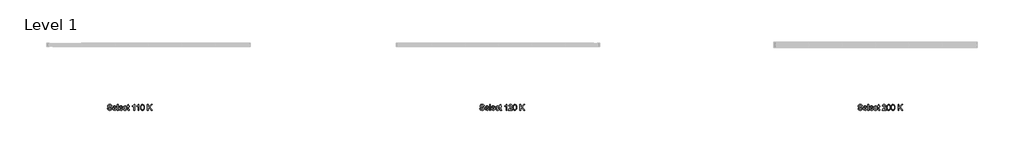
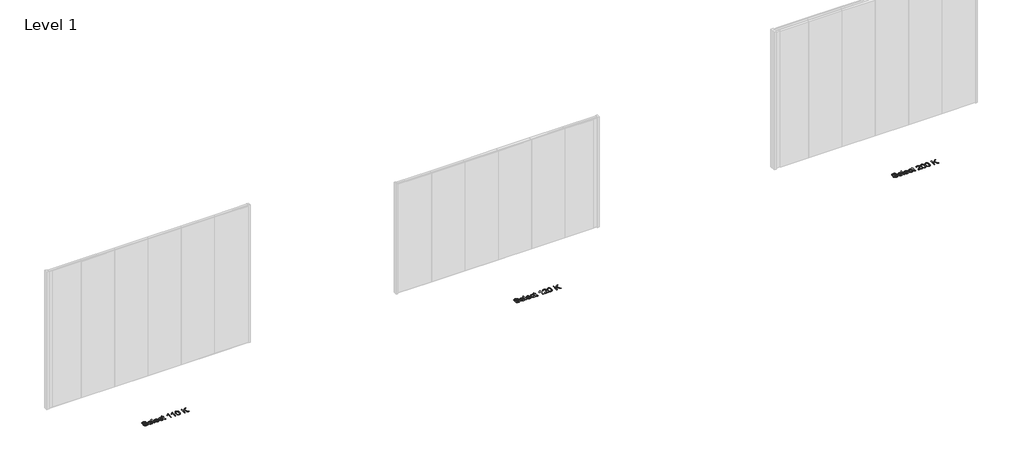
# One storey, part 4 of 4: 3 proxies.
"""IFC4 building model written with IfcOpenShell, lengths in millimetres."""

from ifc_helpers import new_model, si_unit, origin, origin_with_axes, place, context, project, spatial, polyline, outline, extrude, element, save

model = new_model("IFC4")

# Units and contexts
model_context = context("Model", 3, world=origin())
ifc_project = project(units=[si_unit("LENGTHUNIT", "METRE", prefix="MILLI")], contexts=[model_context])

# Site, building, storey
site = spatial("IfcSite", under=ifc_project)
building = spatial("IfcBuilding", under=site)
storey = spatial("IfcBuildingStorey", under=building, Name="Level 1", Elevation=0.0)

# Proxies
placement = place(None, origin())
element("IfcBuildingElementProxy", 1, Name="200mm", ObjectType="200mm", at=placement, inside=storey, context=model_context, shape_type="SweptSolid", body=[
    extrude(outline(polyline([(42637.125825, -17018.758288), (42661.7412096, -17018.758288), (42669.6739019, -17043.3977111), (42677.6426519, -17052.1116534), (42689.0489019, -17058.9746342), (42702.9912096, -17063.4277592), (42718.5681327, -17064.9121342), (42744.2892865, -17060.4169419), (42760.8998634, -17048.0611726), (42766.3565942, -17031.5467495), (42762.2700557, -17016.1861726), (42756.0440942, -17010.1104515), (42745.5392865, -17005.008288), (42709.6979404, -16995.6092495), (42671.1162096, -16983.4698265), (42658.8626038, -16975.1885765), (42650.1787096, -16965.1525188), (42645.0044307, -16953.5779995), (42643.2796711, -16940.6813649), (42645.4130846, -16926.2642976), (42651.813325, -16912.820788), (42662.312123, -16901.4265572), (42676.7412096, -16893.1573265), (42694.0609211, -16888.1272784), (42713.2315942, -16886.4505957), (42734.000825, -16888.2054034), (42752.1739019, -16893.4698265), (42767.1017865, -16902.1356919), (42778.1354404, -16914.0948265), (42785.1186134, -16928.602038), (42787.8950557, -16944.9121342), (42763.2796711, -16944.9121342), (42758.7604404, -16930.2246342), (42749.3373634, -16919.6236726), (42734.6138057, -16913.2054034), (42714.1931327, -16911.0659803), (42693.2916904, -16913.1813649), (42678.952748, -16919.5275188), (42670.6594788, -16928.8664611), (42667.8950557, -16939.9602111), (42669.8541904, -16949.4193457), (42675.7315942, -16957.0275188), (42689.625825, -16963.8304034), (42715.9239019, -16970.7775188), (42759.4815942, -16983.133288), (42773.5140461, -16992.0635765), (42783.3037096, -17003.0852111), (42789.0549115, -17016.0779995), (42790.9719788, -17030.9217495), (42788.76645, -17046.0960284), (42782.1498634, -17060.3688649), (42771.3926519, -17072.6525188), (42756.765248, -17081.8592495), (42739.1751038, -17087.6104515), (42719.5296711, -17089.5275188), (42695.4130846, -17087.4602111), (42675.563325, -17081.258288), (42659.7520269, -17070.8977111), (42647.750825, -17056.3544419), (42640.046498, -17038.6380957), (42637.125825, -17018.758288)])), origin_with_axes(), (0.0, 0.0, 1.0), 5.0),
    extrude(outline(polyline([(42926.0681327, -17043.3736726), (42950.202748, -17046.4505957), (42941.5068346, -17064.6356919), (42927.6306327, -17078.2294419), (42908.8866423, -17086.7029995), (42885.5873634, -17089.5275188), (42856.7051519, -17084.6537207), (42834.4815942, -17070.0323265), (42820.3109211, -17046.6128553), (42815.5873634, -17015.3448265), (42820.358998, -16983.0251149), (42834.6739019, -16958.8544419), (42856.5969788, -16943.7823265), (42884.1931327, -16938.758288), (42910.9299115, -16943.7703072), (42932.2940942, -16958.8063649), (42946.3025077, -16982.9289611), (42950.9719788, -17015.2005957), (42950.827748, -17021.8352111), (42840.202748, -17021.8352111), (42844.4635654, -17040.2606919), (42854.3614019, -17053.8063649), (42868.6462577, -17062.1356919), (42886.0681327, -17064.9121342), (42910.202748, -17059.7679034), (42919.1690942, -17053.0972303), (42926.0681327, -17043.3736726)]), holes=[polyline([(42840.202748, -16997.2198265), (42926.3565942, -16997.2198265), (42923.0272673, -16984.2150188), (42916.500825, -16974.9121342), (42902.1498634, -16966.258288), (42884.0969788, -16963.3736726), (42867.5044307, -16965.6753553), (42853.7844788, -16972.5804034), (42844.2472192, -16983.3436245), (42840.202748, -16997.2198265)])]), origin_with_axes(), (0.0, 0.0, 1.0), 5.0),
    extrude(outline(polyline([(42975.5873634, -17086.4505957), (42975.5873634, -16889.5275188), (43000.202748, -16889.5275188), (43000.202748, -17086.4505957), (42975.5873634, -17086.4505957)])), origin_with_axes(), (0.0, 0.0, 1.0), 5.0),
    extrude(outline(polyline([(43138.375825, -17043.3736726), (43162.5104404, -17046.4505957), (43153.8145269, -17064.6356919), (43139.938325, -17078.2294419), (43121.1943346, -17086.7029995), (43097.8950557, -17089.5275188), (43069.0128442, -17084.6537207), (43046.7892865, -17070.0323265), (43032.6186134, -17046.6128553), (43027.8950557, -17015.3448265), (43032.6666904, -16983.0251149), (43046.9815942, -16958.8544419), (43068.9046711, -16943.7823265), (43096.500825, -16938.758288), (43123.2376038, -16943.7703072), (43144.6017865, -16958.8063649), (43158.6102, -16982.9289611), (43163.2796711, -17015.2005957), (43163.1354404, -17021.8352111), (43052.5104404, -17021.8352111), (43056.7712577, -17040.2606919), (43066.6690942, -17053.8063649), (43080.95395, -17062.1356919), (43098.375825, -17064.9121342), (43122.5104404, -17059.7679034), (43131.4767865, -17053.0972303), (43138.375825, -17043.3736726)]), holes=[polyline([(43052.5104404, -16997.2198265), (43138.6642865, -16997.2198265), (43135.3349596, -16984.2150188), (43128.8085173, -16974.9121342), (43114.4575557, -16966.258288), (43096.4046711, -16963.3736726), (43079.812123, -16965.6753553), (43066.0921711, -16972.5804034), (43056.5549115, -16983.3436245), (43052.5104404, -16997.2198265)])]), origin_with_axes(), (0.0, 0.0, 1.0), 5.0),
    extrude(outline(polyline([(43280.202748, -17034.1429034), (43304.8181327, -17037.2198265), (43297.9551519, -17059.1128553), (43285.0585173, -17075.6573265), (43267.3421711, -17086.0599707), (43246.0200557, -17089.5275188), (43219.8361615, -17084.6897784), (43199.3614019, -17070.1765572), (43186.1462577, -17046.6248745), (43181.7412096, -17014.6717495), (43183.6222192, -16992.7667015), (43189.265248, -16973.7823265), (43198.7604404, -16958.4517976), (43212.1979404, -16947.508288), (43228.2736615, -16940.945788), (43245.6835173, -16938.758288), (43266.4827961, -16941.7630957), (43283.1114019, -16950.7775188), (43295.0404884, -16965.320788), (43301.7412096, -16984.9121342), (43277.125825, -16987.9890572), (43272.6606807, -16977.2498745), (43265.7075557, -16969.5515572), (43256.6510654, -16964.9181438), (43245.875825, -16963.3736726), (43229.968373, -16966.414538), (43217.3421711, -16975.5371342), (43209.1029884, -16991.2342495), (43206.3565942, -17013.9986726), (43209.0428923, -17037.0695861), (43217.1017865, -17052.820788), (43229.499623, -17061.8892976), (43245.202748, -17064.9121342), (43257.9491423, -17063.0251149), (43268.3998634, -17057.3640572), (43276.0020269, -17047.7847303), (43280.202748, -17034.1429034)])), origin_with_axes(), (0.0, 0.0, 1.0), 5.0),
    extrude(outline(polyline([(43378.6642865, -17065.9217495), (43381.7412096, -17087.1717495), (43363.327748, -17089.5275188), (43342.702748, -17085.4409803), (43332.4142865, -17074.7198265), (43329.4335173, -17046.7871342), (43329.4335173, -16966.4505957), (43310.9719788, -16966.4505957), (43310.9719788, -16941.8352111), (43329.4335173, -16941.8352111), (43329.4335173, -16906.6909803), (43354.0489019, -16892.2198265), (43354.0489019, -16941.8352111), (43378.6642865, -16941.8352111), (43378.6642865, -16966.4505957), (43354.0489019, -16966.4505957), (43354.0489019, -17046.0659803), (43355.3469788, -17058.758288), (43359.5537096, -17063.2534803), (43367.9431327, -17064.9121342), (43378.6642865, -17065.9217495)])), origin_with_axes(), (0.0, 0.0, 1.0), 5.0),
    extrude(outline(polyline([(43566.3565942, -17086.4505957), (43541.7412096, -17086.4505957), (43541.7412096, -16932.9890572), (43518.4239019, -16949.5996342), (43492.5104404, -16962.0275188), (43492.5104404, -16938.758288), (43528.5921711, -16915.7294419), (43541.7952961, -16902.4241534), (43550.4912096, -16889.5275188), (43566.3565942, -16889.5275188), (43566.3565942, -17086.4505957)])), origin_with_axes(), (0.0, 0.0, 1.0), 5.0),
    extrude(outline(polyline([(43717.125825, -17086.4505957), (43692.5104404, -17086.4505957), (43692.5104404, -16932.9890572), (43669.1931327, -16949.5996342), (43643.2796711, -16962.0275188), (43643.2796711, -16938.758288), (43679.3614019, -16915.7294419), (43692.5645269, -16902.4241534), (43701.2604404, -16889.5275188), (43717.125825, -16889.5275188), (43717.125825, -17086.4505957)])), origin_with_axes(), (0.0, 0.0, 1.0), 5.0),
    extrude(outline(polyline([(43775.5873634, -16989.5755957), (43777.3962577, -16958.055163), (43782.8229404, -16932.9169419), (43791.813325, -16913.7763169), (43804.313325, -16900.2486726), (43820.4130846, -16892.2078072), (43840.202748, -16889.5275188), (43855.3710173, -16891.1140572), (43868.952748, -16895.8736726), (43880.3109211, -16903.6200669), (43888.8085173, -16914.1669419), (43900.3469788, -16943.3015572), (43904.8181327, -16989.5755957), (43903.0272673, -17020.9157399), (43897.6546711, -17045.9938649), (43888.718373, -17065.1525188), (43876.2364019, -17078.7342495), (43860.1005846, -17086.8292015), (43840.202748, -17089.5275188), (43814.625825, -17084.8400188), (43795.202748, -17070.7775188), (43786.6210173, -17055.9487928), (43780.4912096, -17037.4722303), (43775.5873634, -16989.5755957)]), holes=[polyline([(43800.202748, -16989.5275188), (43803.0873634, -17028.2474707), (43811.7412096, -17050.6573265), (43824.625825, -17061.3484322), (43840.202748, -17064.9121342), (43855.7796711, -17061.336413), (43868.6642865, -17050.6092495), (43877.3181327, -17028.1873745), (43880.202748, -16989.5275188), (43877.4142865, -16951.6789611), (43869.0489019, -16929.0948265), (43856.188325, -16917.8808842), (43839.9142865, -16914.1429034), (43824.5056327, -16917.4361726), (43812.125825, -16927.3159803), (43803.1835173, -16951.3063649), (43800.202748, -16989.5275188)])]), origin_with_axes(), (0.0, 0.0, 1.0), 5.0),
    extrude(outline(polyline([(44012.5104404, -17086.4505957), (44012.5104404, -16889.5275188), (44037.125825, -16889.5275188), (44037.125825, -16985.9217495), (44138.0873634, -16889.5275188), (44172.5104404, -16889.5275188), (44087.750825, -16970.4890572), (44175.5873634, -17086.4505957), (44145.4912096, -17086.4505957), (44070.2989019, -16987.1236726), (44037.125825, -17018.758288), (44037.125825, -17086.4505957), (44012.5104404, -17086.4505957)])), origin_with_axes(), (0.0, 0.0, 1.0), 5.0),
])
element("IfcBuildingElementProxy", 2, Name="200mm", ObjectType="200mm", at=placement, inside=storey, context=model_context, shape_type="SweptSolid", body=[
    extrude(outline(polyline([(55437.125825, -17018.758288), (55461.7412096, -17018.758288), (55469.6739019, -17043.3977111), (55477.6426519, -17052.1116534), (55489.0489019, -17058.9746342), (55502.9912096, -17063.4277592), (55518.5681327, -17064.9121342), (55544.2892865, -17060.4169419), (55560.8998634, -17048.0611726), (55566.3565942, -17031.5467495), (55562.2700557, -17016.1861726), (55556.0440942, -17010.1104515), (55545.5392865, -17005.008288), (55509.6979404, -16995.6092495), (55471.1162096, -16983.4698265), (55458.8626038, -16975.1885765), (55450.1787096, -16965.1525188), (55445.0044307, -16953.5779995), (55443.2796711, -16940.6813649), (55445.4130846, -16926.2642976), (55451.813325, -16912.820788), (55462.312123, -16901.4265572), (55476.7412096, -16893.1573265), (55494.0609211, -16888.1272784), (55513.2315942, -16886.4505957), (55534.000825, -16888.2054034), (55552.1739019, -16893.4698265), (55567.1017865, -16902.1356919), (55578.1354404, -16914.0948265), (55585.1186134, -16928.602038), (55587.8950557, -16944.9121342), (55563.2796711, -16944.9121342), (55558.7604404, -16930.2246342), (55549.3373634, -16919.6236726), (55534.6138057, -16913.2054034), (55514.1931327, -16911.0659803), (55493.2916904, -16913.1813649), (55478.952748, -16919.5275188), (55470.6594788, -16928.8664611), (55467.8950557, -16939.9602111), (55469.8541904, -16949.4193457), (55475.7315942, -16957.0275188), (55489.625825, -16963.8304034), (55515.9239019, -16970.7775188), (55559.4815942, -16983.133288), (55573.5140461, -16992.0635765), (55583.3037096, -17003.0852111), (55589.0549115, -17016.0779995), (55590.9719788, -17030.9217495), (55588.76645, -17046.0960284), (55582.1498634, -17060.3688649), (55571.3926519, -17072.6525188), (55556.765248, -17081.8592495), (55539.1751038, -17087.6104515), (55519.5296711, -17089.5275188), (55495.4130846, -17087.4602111), (55475.563325, -17081.258288), (55459.7520269, -17070.8977111), (55447.750825, -17056.3544419), (55440.046498, -17038.6380957), (55437.125825, -17018.758288)])), origin_with_axes(), (0.0, 0.0, 1.0), 5.0),
    extrude(outline(polyline([(55726.0681327, -17043.3736726), (55750.202748, -17046.4505957), (55741.5068346, -17064.6356919), (55727.6306327, -17078.2294419), (55708.8866423, -17086.7029995), (55685.5873634, -17089.5275188), (55656.7051519, -17084.6537207), (55634.4815942, -17070.0323265), (55620.3109211, -17046.6128553), (55615.5873634, -17015.3448265), (55620.358998, -16983.0251149), (55634.6739019, -16958.8544419), (55656.5969788, -16943.7823265), (55684.1931327, -16938.758288), (55710.9299115, -16943.7703072), (55732.2940942, -16958.8063649), (55746.3025077, -16982.9289611), (55750.9719788, -17015.2005957), (55750.827748, -17021.8352111), (55640.202748, -17021.8352111), (55644.4635654, -17040.2606919), (55654.3614019, -17053.8063649), (55668.6462577, -17062.1356919), (55686.0681327, -17064.9121342), (55710.202748, -17059.7679034), (55719.1690942, -17053.0972303), (55726.0681327, -17043.3736726)]), holes=[polyline([(55640.202748, -16997.2198265), (55726.3565942, -16997.2198265), (55723.0272673, -16984.2150188), (55716.500825, -16974.9121342), (55702.1498634, -16966.258288), (55684.0969788, -16963.3736726), (55667.5044307, -16965.6753553), (55653.7844788, -16972.5804034), (55644.2472192, -16983.3436245), (55640.202748, -16997.2198265)])]), origin_with_axes(), (0.0, 0.0, 1.0), 5.0),
    extrude(outline(polyline([(55775.5873634, -17086.4505957), (55775.5873634, -16889.5275188), (55800.202748, -16889.5275188), (55800.202748, -17086.4505957), (55775.5873634, -17086.4505957)])), origin_with_axes(), (0.0, 0.0, 1.0), 5.0),
    extrude(outline(polyline([(55938.375825, -17043.3736726), (55962.5104404, -17046.4505957), (55953.8145269, -17064.6356919), (55939.938325, -17078.2294419), (55921.1943346, -17086.7029995), (55897.8950557, -17089.5275188), (55869.0128442, -17084.6537207), (55846.7892865, -17070.0323265), (55832.6186134, -17046.6128553), (55827.8950557, -17015.3448265), (55832.6666904, -16983.0251149), (55846.9815942, -16958.8544419), (55868.9046711, -16943.7823265), (55896.500825, -16938.758288), (55923.2376038, -16943.7703072), (55944.6017865, -16958.8063649), (55958.6102, -16982.9289611), (55963.2796711, -17015.2005957), (55963.1354404, -17021.8352111), (55852.5104404, -17021.8352111), (55856.7712577, -17040.2606919), (55866.6690942, -17053.8063649), (55880.95395, -17062.1356919), (55898.375825, -17064.9121342), (55922.5104404, -17059.7679034), (55931.4767865, -17053.0972303), (55938.375825, -17043.3736726)]), holes=[polyline([(55852.5104404, -16997.2198265), (55938.6642865, -16997.2198265), (55935.3349596, -16984.2150188), (55928.8085173, -16974.9121342), (55914.4575557, -16966.258288), (55896.4046711, -16963.3736726), (55879.812123, -16965.6753553), (55866.0921711, -16972.5804034), (55856.5549115, -16983.3436245), (55852.5104404, -16997.2198265)])]), origin_with_axes(), (0.0, 0.0, 1.0), 5.0),
    extrude(outline(polyline([(56080.202748, -17034.1429034), (56104.8181327, -17037.2198265), (56097.9551519, -17059.1128553), (56085.0585173, -17075.6573265), (56067.3421711, -17086.0599707), (56046.0200557, -17089.5275188), (56019.8361615, -17084.6897784), (55999.3614019, -17070.1765572), (55986.1462577, -17046.6248745), (55981.7412096, -17014.6717495), (55983.6222192, -16992.7667015), (55989.265248, -16973.7823265), (55998.7604404, -16958.4517976), (56012.1979404, -16947.508288), (56028.2736615, -16940.945788), (56045.6835173, -16938.758288), (56066.4827961, -16941.7630957), (56083.1114019, -16950.7775188), (56095.0404884, -16965.320788), (56101.7412096, -16984.9121342), (56077.125825, -16987.9890572), (56072.6606807, -16977.2498745), (56065.7075557, -16969.5515572), (56056.6510654, -16964.9181438), (56045.875825, -16963.3736726), (56029.968373, -16966.414538), (56017.3421711, -16975.5371342), (56009.1029884, -16991.2342495), (56006.3565942, -17013.9986726), (56009.0428923, -17037.0695861), (56017.1017865, -17052.820788), (56029.499623, -17061.8892976), (56045.202748, -17064.9121342), (56057.9491423, -17063.0251149), (56068.3998634, -17057.3640572), (56076.0020269, -17047.7847303), (56080.202748, -17034.1429034)])), origin_with_axes(), (0.0, 0.0, 1.0), 5.0),
    extrude(outline(polyline([(56178.6642865, -17065.9217495), (56181.7412096, -17087.1717495), (56163.327748, -17089.5275188), (56142.702748, -17085.4409803), (56132.4142865, -17074.7198265), (56129.4335173, -17046.7871342), (56129.4335173, -16966.4505957), (56110.9719788, -16966.4505957), (56110.9719788, -16941.8352111), (56129.4335173, -16941.8352111), (56129.4335173, -16906.6909803), (56154.0489019, -16892.2198265), (56154.0489019, -16941.8352111), (56178.6642865, -16941.8352111), (56178.6642865, -16966.4505957), (56154.0489019, -16966.4505957), (56154.0489019, -17046.0659803), (56155.3469788, -17058.758288), (56159.5537096, -17063.2534803), (56167.9431327, -17064.9121342), (56178.6642865, -17065.9217495)])), origin_with_axes(), (0.0, 0.0, 1.0), 5.0),
    extrude(outline(polyline([(56366.3565942, -17086.4505957), (56341.7412096, -17086.4505957), (56341.7412096, -16932.9890572), (56318.4239019, -16949.5996342), (56292.5104404, -16962.0275188), (56292.5104404, -16938.758288), (56328.5921711, -16915.7294419), (56341.7952961, -16902.4241534), (56350.4912096, -16889.5275188), (56366.3565942, -16889.5275188), (56366.3565942, -17086.4505957)])), origin_with_axes(), (0.0, 0.0, 1.0), 5.0),
    extrude(outline(polyline([(56550.9719788, -17061.8352111), (56550.9719788, -17086.4505957), (56421.7412096, -17086.4505957), (56424.3854404, -17069.4794419), (56439.3373634, -17043.3496342), (56470.1546711, -17014.8159803), (56512.6546711, -16973.8063649), (56520.6234211, -16959.6717495), (56523.2796711, -16945.9217495), (56520.7736615, -16933.5960284), (56513.2556327, -16923.3496342), (56501.6991423, -16916.4445861), (56487.077748, -16914.1429034), (56471.7231807, -16916.3904995), (56459.7940942, -16923.133288), (56452.0957769, -16933.8424226), (56449.4335173, -16947.9890572), (56424.8181327, -16944.9121342), (56430.7856807, -16921.102038), (56443.688325, -16903.7102111), (56462.8529884, -16893.0731919), (56487.6065942, -16889.5275188), (56512.5404884, -16893.4698265), (56531.6690942, -16905.2967495), (56543.8385654, -16922.9650188), (56547.8950557, -16944.4313649), (56543.5200557, -16967.7727111), (56528.9767865, -16991.9073265), (56493.7123634, -17025.633288), (56465.3950557, -17049.3111726), (56454.2892865, -17061.8352111), (56550.9719788, -17061.8352111)])), origin_with_axes(), (0.0, 0.0, 1.0), 5.0),
    extrude(outline(polyline([(56575.5873634, -16989.5755957), (56577.3962577, -16958.055163), (56582.8229404, -16932.9169419), (56591.813325, -16913.7763169), (56604.313325, -16900.2486726), (56620.4130846, -16892.2078072), (56640.202748, -16889.5275188), (56655.3710173, -16891.1140572), (56668.952748, -16895.8736726), (56680.3109211, -16903.6200669), (56688.8085173, -16914.1669419), (56700.3469788, -16943.3015572), (56704.8181327, -16989.5755957), (56703.0272673, -17020.9157399), (56697.6546711, -17045.9938649), (56688.718373, -17065.1525188), (56676.2364019, -17078.7342495), (56660.1005846, -17086.8292015), (56640.202748, -17089.5275188), (56614.625825, -17084.8400188), (56595.202748, -17070.7775188), (56586.6210173, -17055.9487928), (56580.4912096, -17037.4722303), (56575.5873634, -16989.5755957)]), holes=[polyline([(56600.202748, -16989.5275188), (56603.0873634, -17028.2474707), (56611.7412096, -17050.6573265), (56624.625825, -17061.3484322), (56640.202748, -17064.9121342), (56655.7796711, -17061.336413), (56668.6642865, -17050.6092495), (56677.3181327, -17028.1873745), (56680.202748, -16989.5275188), (56677.4142865, -16951.6789611), (56669.0489019, -16929.0948265), (56656.188325, -16917.8808842), (56639.9142865, -16914.1429034), (56624.5056327, -16917.4361726), (56612.125825, -16927.3159803), (56603.1835173, -16951.3063649), (56600.202748, -16989.5275188)])]), origin_with_axes(), (0.0, 0.0, 1.0), 5.0),
    extrude(outline(polyline([(56812.5104404, -17086.4505957), (56812.5104404, -16889.5275188), (56837.125825, -16889.5275188), (56837.125825, -16985.9217495), (56938.0873634, -16889.5275188), (56972.5104404, -16889.5275188), (56887.750825, -16970.4890572), (56975.5873634, -17086.4505957), (56945.4912096, -17086.4505957), (56870.2989019, -16987.1236726), (56837.125825, -17018.758288), (56837.125825, -17086.4505957), (56812.5104404, -17086.4505957)])), origin_with_axes(), (0.0, 0.0, 1.0), 5.0),
])
element("IfcBuildingElementProxy", 3, Name="200mm", ObjectType="200mm", at=placement, inside=storey, context=model_context, shape_type="SweptSolid", body=[
    extrude(outline(polyline([(68437.125825, -17018.758288), (68461.7412096, -17018.758288), (68469.6739019, -17043.3977111), (68477.6426519, -17052.1116534), (68489.0489019, -17058.9746342), (68502.9912096, -17063.4277592), (68518.5681327, -17064.9121342), (68544.2892865, -17060.4169419), (68560.8998634, -17048.0611726), (68566.3565942, -17031.5467495), (68562.2700557, -17016.1861726), (68556.0440942, -17010.1104515), (68545.5392865, -17005.008288), (68509.6979404, -16995.6092495), (68471.1162096, -16983.4698265), (68458.8626038, -16975.1885765), (68450.1787096, -16965.1525188), (68445.0044307, -16953.5779995), (68443.2796711, -16940.6813649), (68445.4130846, -16926.2642976), (68451.813325, -16912.820788), (68462.312123, -16901.4265572), (68476.7412096, -16893.1573265), (68494.0609211, -16888.1272784), (68513.2315942, -16886.4505957), (68534.000825, -16888.2054034), (68552.1739019, -16893.4698265), (68567.1017865, -16902.1356919), (68578.1354404, -16914.0948265), (68585.1186134, -16928.602038), (68587.8950557, -16944.9121342), (68563.2796711, -16944.9121342), (68558.7604404, -16930.2246342), (68549.3373634, -16919.6236726), (68534.6138057, -16913.2054034), (68514.1931327, -16911.0659803), (68493.2916904, -16913.1813649), (68478.952748, -16919.5275188), (68470.6594788, -16928.8664611), (68467.8950557, -16939.9602111), (68469.8541904, -16949.4193457), (68475.7315942, -16957.0275188), (68489.625825, -16963.8304034), (68515.9239019, -16970.7775188), (68559.4815942, -16983.133288), (68573.5140461, -16992.0635765), (68583.3037096, -17003.0852111), (68589.0549115, -17016.0779995), (68590.9719788, -17030.9217495), (68588.76645, -17046.0960284), (68582.1498634, -17060.3688649), (68571.3926519, -17072.6525188), (68556.765248, -17081.8592495), (68539.1751038, -17087.6104515), (68519.5296711, -17089.5275188), (68495.4130846, -17087.4602111), (68475.563325, -17081.258288), (68459.7520269, -17070.8977111), (68447.750825, -17056.3544419), (68440.046498, -17038.6380957), (68437.125825, -17018.758288)])), origin_with_axes(), (0.0, 0.0, 1.0), 5.0),
    extrude(outline(polyline([(68726.0681327, -17043.3736726), (68750.202748, -17046.4505957), (68741.5068346, -17064.6356919), (68727.6306327, -17078.2294419), (68708.8866423, -17086.7029995), (68685.5873634, -17089.5275188), (68656.7051519, -17084.6537207), (68634.4815942, -17070.0323265), (68620.3109211, -17046.6128553), (68615.5873634, -17015.3448265), (68620.358998, -16983.0251149), (68634.6739019, -16958.8544419), (68656.5969788, -16943.7823265), (68684.1931327, -16938.758288), (68710.9299115, -16943.7703072), (68732.2940942, -16958.8063649), (68746.3025077, -16982.9289611), (68750.9719788, -17015.2005957), (68750.827748, -17021.8352111), (68640.202748, -17021.8352111), (68644.4635654, -17040.2606919), (68654.3614019, -17053.8063649), (68668.6462577, -17062.1356919), (68686.0681327, -17064.9121342), (68710.202748, -17059.7679034), (68719.1690942, -17053.0972303), (68726.0681327, -17043.3736726)]), holes=[polyline([(68640.202748, -16997.2198265), (68726.3565942, -16997.2198265), (68723.0272673, -16984.2150188), (68716.500825, -16974.9121342), (68702.1498634, -16966.258288), (68684.0969788, -16963.3736726), (68667.5044307, -16965.6753553), (68653.7844788, -16972.5804034), (68644.2472192, -16983.3436245), (68640.202748, -16997.2198265)])]), origin_with_axes(), (0.0, 0.0, 1.0), 5.0),
    extrude(outline(polyline([(68775.5873634, -17086.4505957), (68775.5873634, -16889.5275188), (68800.202748, -16889.5275188), (68800.202748, -17086.4505957), (68775.5873634, -17086.4505957)])), origin_with_axes(), (0.0, 0.0, 1.0), 5.0),
    extrude(outline(polyline([(68938.375825, -17043.3736726), (68962.5104404, -17046.4505957), (68953.8145269, -17064.6356919), (68939.938325, -17078.2294419), (68921.1943346, -17086.7029995), (68897.8950557, -17089.5275188), (68869.0128442, -17084.6537207), (68846.7892865, -17070.0323265), (68832.6186134, -17046.6128553), (68827.8950557, -17015.3448265), (68832.6666904, -16983.0251149), (68846.9815942, -16958.8544419), (68868.9046711, -16943.7823265), (68896.500825, -16938.758288), (68923.2376038, -16943.7703072), (68944.6017865, -16958.8063649), (68958.6102, -16982.9289611), (68963.2796711, -17015.2005957), (68963.1354404, -17021.8352111), (68852.5104404, -17021.8352111), (68856.7712577, -17040.2606919), (68866.6690942, -17053.8063649), (68880.95395, -17062.1356919), (68898.375825, -17064.9121342), (68922.5104404, -17059.7679034), (68931.4767865, -17053.0972303), (68938.375825, -17043.3736726)]), holes=[polyline([(68852.5104404, -16997.2198265), (68938.6642865, -16997.2198265), (68935.3349596, -16984.2150188), (68928.8085173, -16974.9121342), (68914.4575557, -16966.258288), (68896.4046711, -16963.3736726), (68879.812123, -16965.6753553), (68866.0921711, -16972.5804034), (68856.5549115, -16983.3436245), (68852.5104404, -16997.2198265)])]), origin_with_axes(), (0.0, 0.0, 1.0), 5.0),
    extrude(outline(polyline([(69080.202748, -17034.1429034), (69104.8181327, -17037.2198265), (69097.9551519, -17059.1128553), (69085.0585173, -17075.6573265), (69067.3421711, -17086.0599707), (69046.0200557, -17089.5275188), (69019.8361615, -17084.6897784), (68999.3614019, -17070.1765572), (68986.1462577, -17046.6248745), (68981.7412096, -17014.6717495), (68983.6222192, -16992.7667015), (68989.265248, -16973.7823265), (68998.7604404, -16958.4517976), (69012.1979404, -16947.508288), (69028.2736615, -16940.945788), (69045.6835173, -16938.758288), (69066.4827961, -16941.7630957), (69083.1114019, -16950.7775188), (69095.0404884, -16965.320788), (69101.7412096, -16984.9121342), (69077.125825, -16987.9890572), (69072.6606807, -16977.2498745), (69065.7075557, -16969.5515572), (69056.6510654, -16964.9181438), (69045.875825, -16963.3736726), (69029.968373, -16966.414538), (69017.3421711, -16975.5371342), (69009.1029884, -16991.2342495), (69006.3565942, -17013.9986726), (69009.0428923, -17037.0695861), (69017.1017865, -17052.820788), (69029.499623, -17061.8892976), (69045.202748, -17064.9121342), (69057.9491423, -17063.0251149), (69068.3998634, -17057.3640572), (69076.0020269, -17047.7847303), (69080.202748, -17034.1429034)])), origin_with_axes(), (0.0, 0.0, 1.0), 5.0),
    extrude(outline(polyline([(69178.6642865, -17065.9217495), (69181.7412096, -17087.1717495), (69163.327748, -17089.5275188), (69142.702748, -17085.4409803), (69132.4142865, -17074.7198265), (69129.4335173, -17046.7871342), (69129.4335173, -16966.4505957), (69110.9719788, -16966.4505957), (69110.9719788, -16941.8352111), (69129.4335173, -16941.8352111), (69129.4335173, -16906.6909803), (69154.0489019, -16892.2198265), (69154.0489019, -16941.8352111), (69178.6642865, -16941.8352111), (69178.6642865, -16966.4505957), (69154.0489019, -16966.4505957), (69154.0489019, -17046.0659803), (69155.3469788, -17058.758288), (69159.5537096, -17063.2534803), (69167.9431327, -17064.9121342), (69178.6642865, -17065.9217495)])), origin_with_axes(), (0.0, 0.0, 1.0), 5.0),
    extrude(outline(polyline([(69400.202748, -17061.8352111), (69400.202748, -17086.4505957), (69270.9719788, -17086.4505957), (69273.6162096, -17069.4794419), (69288.5681327, -17043.3496342), (69319.3854404, -17014.8159803), (69361.8854404, -16973.8063649), (69369.8541904, -16959.6717495), (69372.5104404, -16945.9217495), (69370.0044307, -16933.5960284), (69362.4864019, -16923.3496342), (69350.9299115, -16916.4445861), (69336.3085173, -16914.1429034), (69320.95395, -16916.3904995), (69309.0248634, -16923.133288), (69301.3265461, -16933.8424226), (69298.6642865, -16947.9890572), (69274.0489019, -16944.9121342), (69280.01645, -16921.102038), (69292.9190942, -16903.7102111), (69312.0837577, -16893.0731919), (69336.8373634, -16889.5275188), (69361.7712577, -16893.4698265), (69380.8998634, -16905.2967495), (69393.0693346, -16922.9650188), (69397.125825, -16944.4313649), (69392.750825, -16967.7727111), (69378.2075557, -16991.9073265), (69342.9431327, -17025.633288), (69314.625825, -17049.3111726), (69303.5200557, -17061.8352111), (69400.202748, -17061.8352111)])), origin_with_axes(), (0.0, 0.0, 1.0), 5.0),
    extrude(outline(polyline([(69424.8181327, -16989.5755957), (69426.6270269, -16958.055163), (69432.0537096, -16932.9169419), (69441.0440942, -16913.7763169), (69453.5440942, -16900.2486726), (69469.6438538, -16892.2078072), (69489.4335173, -16889.5275188), (69504.6017865, -16891.1140572), (69518.1835173, -16895.8736726), (69529.5416904, -16903.6200669), (69538.0392865, -16914.1669419), (69549.577748, -16943.3015572), (69554.0489019, -16989.5755957), (69552.2580365, -17020.9157399), (69546.8854404, -17045.9938649), (69537.9491423, -17065.1525188), (69525.4671711, -17078.7342495), (69509.3313538, -17086.8292015), (69489.4335173, -17089.5275188), (69463.8565942, -17084.8400188), (69444.4335173, -17070.7775188), (69435.8517865, -17055.9487928), (69429.7219788, -17037.4722303), (69424.8181327, -16989.5755957)]), holes=[polyline([(69449.4335173, -16989.5275188), (69452.3181327, -17028.2474707), (69460.9719788, -17050.6573265), (69473.8565942, -17061.3484322), (69489.4335173, -17064.9121342), (69505.0104404, -17061.336413), (69517.8950557, -17050.6092495), (69526.5489019, -17028.1873745), (69529.4335173, -16989.5275188), (69526.6450557, -16951.6789611), (69518.2796711, -16929.0948265), (69505.4190942, -16917.8808842), (69489.1450557, -16914.1429034), (69473.7364019, -16917.4361726), (69461.3565942, -16927.3159803), (69452.4142865, -16951.3063649), (69449.4335173, -16989.5275188)])]), origin_with_axes(), (0.0, 0.0, 1.0), 5.0),
    extrude(outline(polyline([(69575.5873634, -16989.5755957), (69577.3962577, -16958.055163), (69582.8229404, -16932.9169419), (69591.813325, -16913.7763169), (69604.313325, -16900.2486726), (69620.4130846, -16892.2078072), (69640.202748, -16889.5275188), (69655.3710173, -16891.1140572), (69668.952748, -16895.8736726), (69680.3109211, -16903.6200669), (69688.8085173, -16914.1669419), (69700.3469788, -16943.3015572), (69704.8181327, -16989.5755957), (69703.0272673, -17020.9157399), (69697.6546711, -17045.9938649), (69688.718373, -17065.1525188), (69676.2364019, -17078.7342495), (69660.1005846, -17086.8292015), (69640.202748, -17089.5275188), (69614.625825, -17084.8400188), (69595.202748, -17070.7775188), (69586.6210173, -17055.9487928), (69580.4912096, -17037.4722303), (69575.5873634, -16989.5755957)]), holes=[polyline([(69600.202748, -16989.5275188), (69603.0873634, -17028.2474707), (69611.7412096, -17050.6573265), (69624.625825, -17061.3484322), (69640.202748, -17064.9121342), (69655.7796711, -17061.336413), (69668.6642865, -17050.6092495), (69677.3181327, -17028.1873745), (69680.202748, -16989.5275188), (69677.4142865, -16951.6789611), (69669.0489019, -16929.0948265), (69656.188325, -16917.8808842), (69639.9142865, -16914.1429034), (69624.5056327, -16917.4361726), (69612.125825, -16927.3159803), (69603.1835173, -16951.3063649), (69600.202748, -16989.5275188)])]), origin_with_axes(), (0.0, 0.0, 1.0), 5.0),
    extrude(outline(polyline([(69812.5104404, -17086.4505957), (69812.5104404, -16889.5275188), (69837.125825, -16889.5275188), (69837.125825, -16985.9217495), (69938.0873634, -16889.5275188), (69972.5104404, -16889.5275188), (69887.750825, -16970.4890572), (69975.5873634, -17086.4505957), (69945.4912096, -17086.4505957), (69870.2989019, -16987.1236726), (69837.125825, -17018.758288), (69837.125825, -17086.4505957), (69812.5104404, -17086.4505957)])), origin_with_axes(), (0.0, 0.0, 1.0), 5.0),
])

save(model, "model.ifc")
